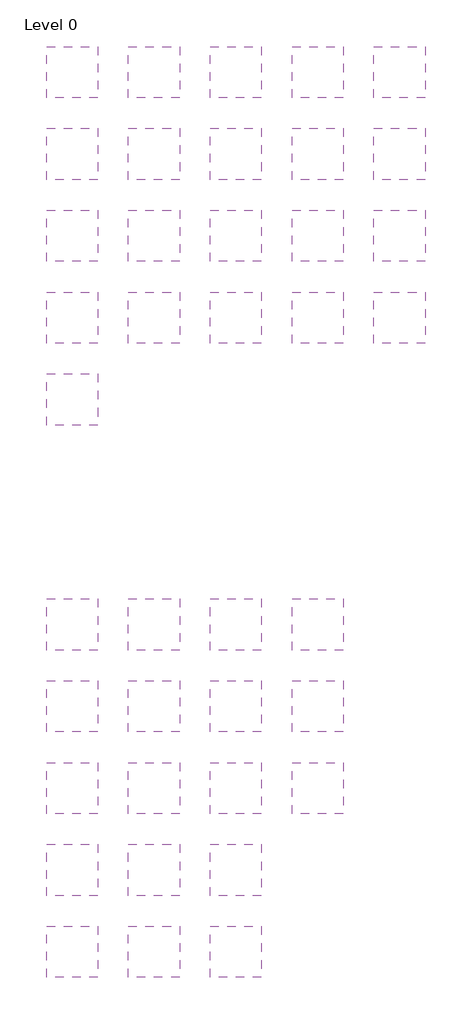
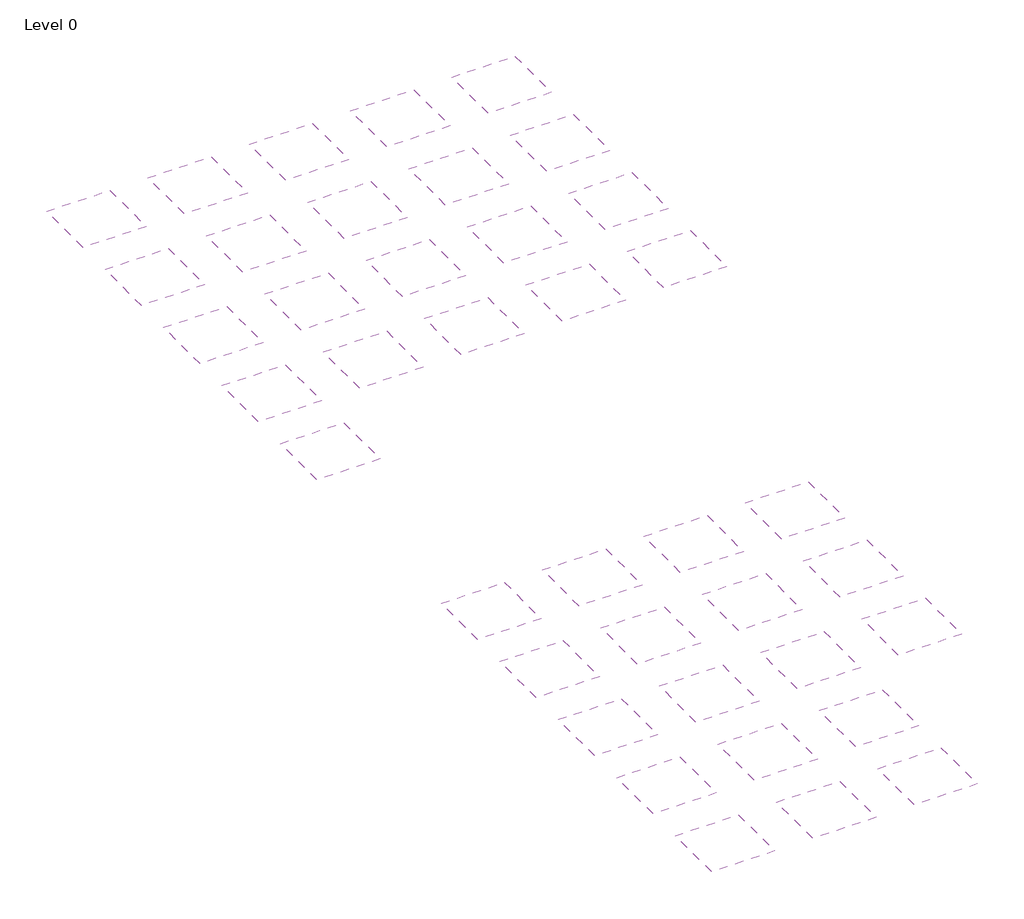
# One storey: 39 coverings.
"""IFC4 building model written with IfcOpenShell, lengths in millimetres."""

from ifc_helpers import new_model, si_unit, frame, origin, place, context, project, spatial, polyline, outline, extrude, element, save

model = new_model("IFC4")

# Units and contexts
model_context = context("Model", 3, world=origin())
ifc_project = project(units=[si_unit("LENGTHUNIT", "METRE", prefix="MILLI")], contexts=[model_context])

# Site, building, storey
site = spatial("IfcSite", under=ifc_project)
building = spatial("IfcBuilding", under=site)
storey = spatial("IfcBuildingStorey", under=building, Name="Level 0", Elevation=0.0)

# Coverings
placement = place(None, origin())
element("IfcCovering", 1, at=placement, inside=storey, context=model_context, shape_type="SweptSolid", body=[
    extrude(outline(polyline([(-9816.8087978, 5048.1093759), (-9816.8087978, 4548.1093759), (-10316.8087978, 4548.1093759), (-10316.8087978, 5048.1093759), (-9816.8087978, 5048.1093759)])), frame((0.0, 0.0, 4000.0), z_axis=(0.0, 0.0, 1.0), x_axis=(1.0, 0.0, 0.0)), (0.0, 0.0, 1.0), 40.0),
])
element("IfcCovering", 2, at=placement, inside=storey, context=model_context, shape_type="SweptSolid", body=[
    extrude(outline(polyline([(-9816.8087978, 4248.1093759), (-9816.8087978, 3748.1093759), (-10316.8087978, 3748.1093759), (-10316.8087978, 4248.1093759), (-9816.8087978, 4248.1093759)])), frame((0.0, 0.0, 4000.0), z_axis=(0.0, 0.0, 1.0), x_axis=(1.0, 0.0, 0.0)), (0.0, 0.0, 1.0), 44.0),
])
element("IfcCovering", 3, at=placement, inside=storey, context=model_context, shape_type="SweptSolid", body=[
    extrude(outline(polyline([(-9816.8087978, 3448.1093759), (-9816.8087978, 2948.1093759), (-10316.8087978, 2948.1093759), (-10316.8087978, 3448.1093759), (-9816.8087978, 3448.1093759)])), frame((0.0, 0.0, 4000.0), z_axis=(0.0, 0.0, 1.0), x_axis=(1.0, 0.0, 0.0)), (0.0, 0.0, 1.0), 90.0),
])
element("IfcCovering", 4, at=placement, inside=storey, context=model_context, shape_type="SweptSolid", body=[
    extrude(outline(polyline([(-9816.8087978, 5848.1093759), (-9816.8087978, 5348.1093759), (-10316.8087978, 5348.1093759), (-10316.8087978, 5848.1093759), (-9816.8087978, 5848.1093759)])), frame((0.0, 0.0, 4000.0), z_axis=(0.0, 0.0, 1.0), x_axis=(1.0, 0.0, 0.0)), (0.0, 0.0, 1.0), 44.0),
])
element("IfcCovering", 5, at=placement, inside=storey, context=model_context, shape_type="SweptSolid", body=[
    extrude(outline(polyline([(-9816.8087978, 6648.1093759), (-9816.8087978, 6148.1093759), (-10316.8087978, 6148.1093759), (-10316.8087978, 6648.1093759), (-9816.8087978, 6648.1093759)])), frame((0.0, 0.0, 4000.0), z_axis=(0.0, 0.0, 1.0), x_axis=(1.0, 0.0, 0.0)), (0.0, 0.0, 1.0), 44.0),
])
element("IfcCovering", 6, at=placement, inside=storey, context=model_context, shape_type="SweptSolid", body=[
    extrude(outline(polyline([(-9016.8087978, 6648.1093759), (-9016.8087978, 6148.1093759), (-9516.8087978, 6148.1093759), (-9516.8087978, 6648.1093759), (-9016.8087978, 6648.1093759)])), frame((0.0, 0.0, 4000.0), z_axis=(0.0, 0.0, 1.0), x_axis=(1.0, 0.0, 0.0)), (0.0, 0.0, 1.0), 40.0),
])
element("IfcCovering", 7, at=placement, inside=storey, context=model_context, shape_type="SweptSolid", body=[
    extrude(outline(polyline([(-9016.8087978, 5848.1093759), (-9016.8087978, 5348.1093759), (-9516.8087978, 5348.1093759), (-9516.8087978, 5848.1093759), (-9016.8087978, 5848.1093759)])), frame((0.0, 0.0, 4000.0), z_axis=(0.0, 0.0, 1.0), x_axis=(1.0, 0.0, 0.0)), (0.0, 0.0, 1.0), 40.0),
])
element("IfcCovering", 8, at=placement, inside=storey, context=model_context, shape_type="SweptSolid", body=[
    extrude(outline(polyline([(-9016.8087978, 5048.1093759), (-9016.8087978, 4548.1093759), (-9516.8087978, 4548.1093759), (-9516.8087978, 5048.1093759), (-9016.8087978, 5048.1093759)])), frame((0.0, 0.0, 4000.0), z_axis=(0.0, 0.0, 1.0), x_axis=(1.0, 0.0, 0.0)), (0.0, 0.0, 1.0), 40.0),
])
element("IfcCovering", 9, at=placement, inside=storey, context=model_context, shape_type="SweptSolid", body=[
    extrude(outline(polyline([(-9016.8087978, 4248.1093759), (-9016.8087978, 3748.1093759), (-9516.8087978, 3748.1093759), (-9516.8087978, 4248.1093759), (-9016.8087978, 4248.1093759)])), frame((0.0, 0.0, 4000.0), z_axis=(0.0, 0.0, 1.0), x_axis=(1.0, 0.0, 0.0)), (0.0, 0.0, 1.0), 50.0),
])
element("IfcCovering", 10, at=placement, inside=storey, context=model_context, shape_type="SweptSolid", body=[
    extrude(outline(polyline([(-9016.8087978, 3448.1093759), (-9016.8087978, 2948.1093759), (-9516.8087978, 2948.1093759), (-9516.8087978, 3448.1093759), (-9016.8087978, 3448.1093759)])), frame((0.0, 0.0, 4000.0), z_axis=(0.0, 0.0, 1.0), x_axis=(1.0, 0.0, 0.0)), (0.0, 0.0, 1.0), 65.0),
])
element("IfcCovering", 11, at=placement, inside=storey, context=model_context, shape_type="SweptSolid", body=[
    extrude(outline(polyline([(-8216.8087978, 6648.1093759), (-8216.8087978, 6148.1093759), (-8716.8087978, 6148.1093759), (-8716.8087978, 6648.1093759), (-8216.8087978, 6648.1093759)])), frame((0.0, 0.0, 4000.0), z_axis=(0.0, 0.0, 1.0), x_axis=(1.0, 0.0, 0.0)), (0.0, 0.0, 1.0), 40.0),
])
element("IfcCovering", 12, at=placement, inside=storey, context=model_context, shape_type="SweptSolid", body=[
    extrude(outline(polyline([(-8216.8087978, 5848.1093759), (-8216.8087978, 5348.1093759), (-8716.8087978, 5348.1093759), (-8716.8087978, 5848.1093759), (-8216.8087978, 5848.1093759)])), frame((0.0, 0.0, 4000.0), z_axis=(0.0, 0.0, 1.0), x_axis=(1.0, 0.0, 0.0)), (0.0, 0.0, 1.0), 40.0),
])
element("IfcCovering", 13, at=placement, inside=storey, context=model_context, shape_type="SweptSolid", body=[
    extrude(outline(polyline([(-8216.8087978, 5048.1093759), (-8216.8087978, 4548.1093759), (-8716.8087978, 4548.1093759), (-8716.8087978, 5048.1093759), (-8216.8087978, 5048.1093759)])), frame((0.0, 0.0, 4000.0), z_axis=(0.0, 0.0, 1.0), x_axis=(1.0, 0.0, 0.0)), (0.0, 0.0, 1.0), 40.0),
])
element("IfcCovering", 14, at=placement, inside=storey, context=model_context, shape_type="SweptSolid", body=[
    extrude(outline(polyline([(-8216.8087978, 4248.1093759), (-8216.8087978, 3748.1093759), (-8716.8087978, 3748.1093759), (-8716.8087978, 4248.1093759), (-8216.8087978, 4248.1093759)])), frame((0.0, 0.0, 4000.0), z_axis=(0.0, 0.0, 1.0), x_axis=(1.0, 0.0, 0.0)), (0.0, 0.0, 1.0), 40.0),
])
element("IfcCovering", 15, at=placement, inside=storey, context=model_context, shape_type="SweptSolid", body=[
    extrude(outline(polyline([(-8216.8087978, 3448.1093759), (-8216.8087978, 2948.1093759), (-8716.8087978, 2948.1093759), (-8716.8087978, 3448.1093759), (-8216.8087978, 3448.1093759)])), frame((0.0, 0.0, 4000.0), z_axis=(0.0, 0.0, 1.0), x_axis=(1.0, 0.0, 0.0)), (0.0, 0.0, 1.0), 55.0),
])
element("IfcCovering", 16, at=placement, inside=storey, context=model_context, shape_type="SweptSolid", body=[
    extrude(outline(polyline([(-7416.8087978, 6648.1093759), (-7416.8087978, 6148.1093759), (-7916.8087978, 6148.1093759), (-7916.8087978, 6648.1093759), (-7416.8087978, 6648.1093759)])), frame((0.0, 0.0, 4000.0), z_axis=(0.0, 0.0, 1.0), x_axis=(1.0, 0.0, 0.0)), (0.0, 0.0, 1.0), 44.0),
])
element("IfcCovering", 17, at=placement, inside=storey, context=model_context, shape_type="SweptSolid", body=[
    extrude(outline(polyline([(-7416.8087978, 5848.1093759), (-7416.8087978, 5348.1093759), (-7916.8087978, 5348.1093759), (-7916.8087978, 5848.1093759), (-7416.8087978, 5848.1093759)])), frame((0.0, 0.0, 4000.0), z_axis=(0.0, 0.0, 1.0), x_axis=(1.0, 0.0, 0.0)), (0.0, 0.0, 1.0), 44.0),
])
element("IfcCovering", 18, at=placement, inside=storey, context=model_context, shape_type="SweptSolid", body=[
    extrude(outline(polyline([(-7416.8087978, 5048.1093759), (-7416.8087978, 4548.1093759), (-7916.8087978, 4548.1093759), (-7916.8087978, 5048.1093759), (-7416.8087978, 5048.1093759)])), frame((0.0, 0.0, 4000.0), z_axis=(0.0, 0.0, 1.0), x_axis=(1.0, 0.0, 0.0)), (0.0, 0.0, 1.0), 44.0),
])
element("IfcCovering", 19, at=placement, inside=storey, context=model_context, shape_type="SweptSolid", body=[
    extrude(outline(polyline([(-9816.8087978, 12048.1093759), (-9816.8087978, 11548.1093759), (-10316.8087978, 11548.1093759), (-10316.8087978, 12048.1093759), (-9816.8087978, 12048.1093759)])), frame((0.0, 0.0, 4000.0), z_axis=(0.0, 0.0, 1.0), x_axis=(1.0, 0.0, 0.0)), (0.0, 0.0, 1.0), 40.0),
])
element("IfcCovering", 20, at=placement, inside=storey, context=model_context, shape_type="SweptSolid", body=[
    extrude(outline(polyline([(-9016.8087978, 12048.1093759), (-9016.8087978, 11548.1093759), (-9516.8087978, 11548.1093759), (-9516.8087978, 12048.1093759), (-9016.8087978, 12048.1093759)])), frame((0.0, 0.0, 4000.0), z_axis=(0.0, 0.0, 1.0), x_axis=(1.0, 0.0, 0.0)), (0.0, 0.0, 1.0), 50.0),
])
element("IfcCovering", 21, at=placement, inside=storey, context=model_context, shape_type="SweptSolid", body=[
    extrude(outline(polyline([(-8216.8087978, 12048.1093759), (-8216.8087978, 11548.1093759), (-8716.8087978, 11548.1093759), (-8716.8087978, 12048.1093759), (-8216.8087978, 12048.1093759)])), frame((0.0, 0.0, 4000.0), z_axis=(0.0, 0.0, 1.0), x_axis=(1.0, 0.0, 0.0)), (0.0, 0.0, 1.0), 60.0),
])
element("IfcCovering", 22, at=placement, inside=storey, context=model_context, shape_type="SweptSolid", body=[
    extrude(outline(polyline([(-7416.8087978, 12048.1093759), (-7416.8087978, 11548.1093759), (-7916.8087978, 11548.1093759), (-7916.8087978, 12048.1093759), (-7416.8087978, 12048.1093759)])), frame((0.0, 0.0, 4000.0), z_axis=(0.0, 0.0, 1.0), x_axis=(1.0, 0.0, 0.0)), (0.0, 0.0, 1.0), 70.0),
])
element("IfcCovering", 23, at=placement, inside=storey, context=model_context, shape_type="SweptSolid", body=[
    extrude(outline(polyline([(-6616.8087978, 12048.1093759), (-6616.8087978, 11548.1093759), (-7116.8087978, 11548.1093759), (-7116.8087978, 12048.1093759), (-6616.8087978, 12048.1093759)])), frame((0.0, 0.0, 4000.0), z_axis=(0.0, 0.0, 1.0), x_axis=(1.0, 0.0, 0.0)), (0.0, 0.0, 1.0), 80.0),
])
element("IfcCovering", 24, at=placement, inside=storey, context=model_context, shape_type="SweptSolid", body=[
    extrude(outline(polyline([(-9816.8087978, 11248.1093759), (-9816.8087978, 10748.1093759), (-10316.8087978, 10748.1093759), (-10316.8087978, 11248.1093759), (-9816.8087978, 11248.1093759)])), frame((0.0, 0.0, 4000.0), z_axis=(0.0, 0.0, 1.0), x_axis=(1.0, 0.0, 0.0)), (0.0, 0.0, 1.0), 90.0),
])
element("IfcCovering", 25, at=placement, inside=storey, context=model_context, shape_type="SweptSolid", body=[
    extrude(outline(polyline([(-9016.8087978, 11248.1093759), (-9016.8087978, 10748.1093759), (-9516.8087978, 10748.1093759), (-9516.8087978, 11248.1093759), (-9016.8087978, 11248.1093759)])), frame((0.0, 0.0, 4000.0), z_axis=(0.0, 0.0, 1.0), x_axis=(1.0, 0.0, 0.0)), (0.0, 0.0, 1.0), 100.0),
])
element("IfcCovering", 26, at=placement, inside=storey, context=model_context, shape_type="SweptSolid", body=[
    extrude(outline(polyline([(-8216.8087978, 11248.1093759), (-8216.8087978, 10748.1093759), (-8716.8087978, 10748.1093759), (-8716.8087978, 11248.1093759), (-8216.8087978, 11248.1093759)])), frame((0.0, 0.0, 4000.0), z_axis=(0.0, 0.0, 1.0), x_axis=(1.0, 0.0, 0.0)), (0.0, 0.0, 1.0), 110.0),
])
element("IfcCovering", 27, at=placement, inside=storey, context=model_context, shape_type="SweptSolid", body=[
    extrude(outline(polyline([(-7416.8087978, 11248.1093759), (-7416.8087978, 10748.1093759), (-7916.8087978, 10748.1093759), (-7916.8087978, 11248.1093759), (-7416.8087978, 11248.1093759)])), frame((0.0, 0.0, 4000.0), z_axis=(0.0, 0.0, 1.0), x_axis=(1.0, 0.0, 0.0)), (0.0, 0.0, 1.0), 120.0),
])
element("IfcCovering", 28, at=placement, inside=storey, context=model_context, shape_type="SweptSolid", body=[
    extrude(outline(polyline([(-6616.8087978, 11248.1093759), (-6616.8087978, 10748.1093759), (-7116.8087978, 10748.1093759), (-7116.8087978, 11248.1093759), (-6616.8087978, 11248.1093759)])), frame((0.0, 0.0, 4000.0), z_axis=(0.0, 0.0, 1.0), x_axis=(1.0, 0.0, 0.0)), (0.0, 0.0, 1.0), 130.0),
])
element("IfcCovering", 29, at=placement, inside=storey, context=model_context, shape_type="SweptSolid", body=[
    extrude(outline(polyline([(-9816.8087978, 10448.1093759), (-9816.8087978, 9948.1093759), (-10316.8087978, 9948.1093759), (-10316.8087978, 10448.1093759), (-9816.8087978, 10448.1093759)])), frame((0.0, 0.0, 4000.0), z_axis=(0.0, 0.0, 1.0), x_axis=(1.0, 0.0, 0.0)), (0.0, 0.0, 1.0), 140.0),
])
element("IfcCovering", 30, at=placement, inside=storey, context=model_context, shape_type="SweptSolid", body=[
    extrude(outline(polyline([(-9016.8087978, 10448.1093759), (-9016.8087978, 9948.1093759), (-9516.8087978, 9948.1093759), (-9516.8087978, 10448.1093759), (-9016.8087978, 10448.1093759)])), frame((0.0, 0.0, 4000.0), z_axis=(0.0, 0.0, 1.0), x_axis=(1.0, 0.0, 0.0)), (0.0, 0.0, 1.0), 150.0),
])
element("IfcCovering", 31, at=placement, inside=storey, context=model_context, shape_type="SweptSolid", body=[
    extrude(outline(polyline([(-8216.8087978, 10448.1093759), (-8216.8087978, 9948.1093759), (-8716.8087978, 9948.1093759), (-8716.8087978, 10448.1093759), (-8216.8087978, 10448.1093759)])), frame((0.0, 0.0, 4000.0), z_axis=(0.0, 0.0, 1.0), x_axis=(1.0, 0.0, 0.0)), (0.0, 0.0, 1.0), 160.0),
])
element("IfcCovering", 32, at=placement, inside=storey, context=model_context, shape_type="SweptSolid", body=[
    extrude(outline(polyline([(-7416.8087978, 10448.1093759), (-7416.8087978, 9948.1093759), (-7916.8087978, 9948.1093759), (-7916.8087978, 10448.1093759), (-7416.8087978, 10448.1093759)])), frame((0.0, 0.0, 4000.0), z_axis=(0.0, 0.0, 1.0), x_axis=(1.0, 0.0, 0.0)), (0.0, 0.0, 1.0), 170.0),
])
element("IfcCovering", 33, at=placement, inside=storey, context=model_context, shape_type="SweptSolid", body=[
    extrude(outline(polyline([(-6616.8087978, 10448.1093759), (-6616.8087978, 9948.1093759), (-7116.8087978, 9948.1093759), (-7116.8087978, 10448.1093759), (-6616.8087978, 10448.1093759)])), frame((0.0, 0.0, 4000.0), z_axis=(0.0, 0.0, 1.0), x_axis=(1.0, 0.0, 0.0)), (0.0, 0.0, 1.0), 180.0),
])
element("IfcCovering", 34, at=placement, inside=storey, context=model_context, shape_type="SweptSolid", body=[
    extrude(outline(polyline([(-9816.8087978, 9648.1093759), (-9816.8087978, 9148.1093759), (-10316.8087978, 9148.1093759), (-10316.8087978, 9648.1093759), (-9816.8087978, 9648.1093759)])), frame((0.0, 0.0, 4000.0), z_axis=(0.0, 0.0, 1.0), x_axis=(1.0, 0.0, 0.0)), (0.0, 0.0, 1.0), 190.0),
])
element("IfcCovering", 35, at=placement, inside=storey, context=model_context, shape_type="SweptSolid", body=[
    extrude(outline(polyline([(-9016.8087978, 9648.1093759), (-9016.8087978, 9148.1093759), (-9516.8087978, 9148.1093759), (-9516.8087978, 9648.1093759), (-9016.8087978, 9648.1093759)])), frame((0.0, 0.0, 4000.0), z_axis=(0.0, 0.0, 1.0), x_axis=(1.0, 0.0, 0.0)), (0.0, 0.0, 1.0), 200.0),
])
element("IfcCovering", 36, at=placement, inside=storey, context=model_context, shape_type="SweptSolid", body=[
    extrude(outline(polyline([(-8216.8087978, 9648.1093759), (-8216.8087978, 9148.1093759), (-8716.8087978, 9148.1093759), (-8716.8087978, 9648.1093759), (-8216.8087978, 9648.1093759)])), frame((0.0, 0.0, 4000.0), z_axis=(0.0, 0.0, 1.0), x_axis=(1.0, 0.0, 0.0)), (0.0, 0.0, 1.0), 210.0),
])
element("IfcCovering", 37, at=placement, inside=storey, context=model_context, shape_type="SweptSolid", body=[
    extrude(outline(polyline([(-7416.8087978, 9648.1093759), (-7416.8087978, 9148.1093759), (-7916.8087978, 9148.1093759), (-7916.8087978, 9648.1093759), (-7416.8087978, 9648.1093759)])), frame((0.0, 0.0, 4000.0), z_axis=(0.0, 0.0, 1.0), x_axis=(1.0, 0.0, 0.0)), (0.0, 0.0, 1.0), 220.0),
])
element("IfcCovering", 38, at=placement, inside=storey, context=model_context, shape_type="SweptSolid", body=[
    extrude(outline(polyline([(-6616.8087978, 9648.1093759), (-6616.8087978, 9148.1093759), (-7116.8087978, 9148.1093759), (-7116.8087978, 9648.1093759), (-6616.8087978, 9648.1093759)])), frame((0.0, 0.0, 4000.0), z_axis=(0.0, 0.0, 1.0), x_axis=(1.0, 0.0, 0.0)), (0.0, 0.0, 1.0), 230.0),
])
element("IfcCovering", 39, at=placement, inside=storey, context=model_context, shape_type="SweptSolid", body=[
    extrude(outline(polyline([(-9816.8087978, 8848.1093759), (-9816.8087978, 8348.1093759), (-10316.8087978, 8348.1093759), (-10316.8087978, 8848.1093759), (-9816.8087978, 8848.1093759)])), frame((0.0, 0.0, 4000.0), z_axis=(0.0, 0.0, 1.0), x_axis=(1.0, 0.0, 0.0)), (0.0, 0.0, 1.0), 240.0),
])

save(model, "model.ifc")
